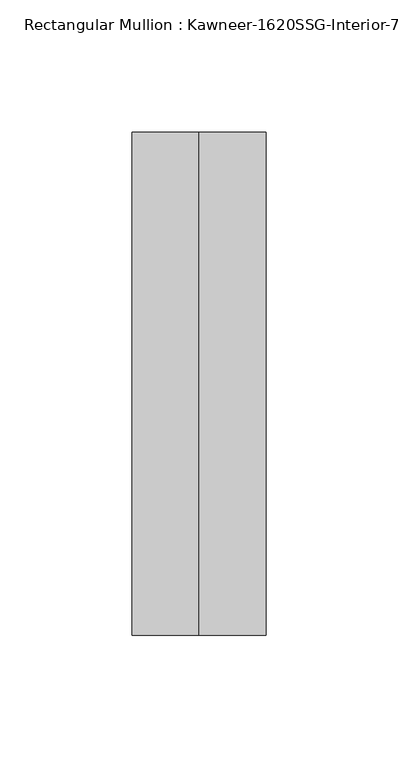
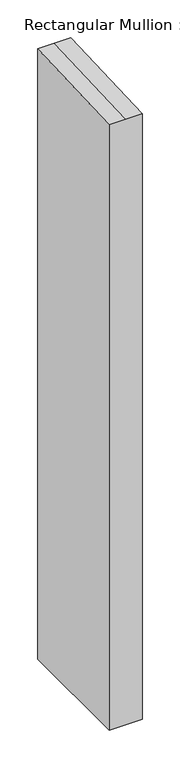
"""IFC4 building model written with IfcOpenShell, lengths in millimetres: member geometry."""

import ifcopenshell
import ifcopenshell.guid

model = None  # the IFC model being written
_history = None  # IfcOwnerHistory: only IFC2X3 demands one
_inside = {}  # id of a spatial element -> (the spatial element, [elements in it])
_under = {}  # id of a project, library or spatial element -> (it, [spatial elements below it])
_declared = {}  # id of a project -> (the project, [libraries it declares])
_typed = {}  # id of a type object -> (the type object, [elements of that type])
_made_of = {}  # id of a material, layer set ... -> (it, [elements and type objects made of it])


def new_model(schema):
    """Start an empty IFC model of exactly this schema.

    Asked for "IFC4X3", IfcOpenShell would pick the latest addendum, in which some entities
    have other attributes; the version numbers below select the first issue.
    IFC2X3 requires an IfcOwnerHistory on every rooted entity: one is made here for all.
    """
    global model, _history
    if schema == "IFC4X3":
        model = ifcopenshell.file(schema_version=(4, 3, 0, 0))
    else:
        model = ifcopenshell.file(schema=schema)
    _inside.clear()
    _under.clear()
    _declared.clear()
    _typed.clear()
    _made_of.clear()
    _history = None
    if model.schema == "IFC2X3":
        org = make("IfcOrganization", Name="unknown")
        user = make(
            "IfcPersonAndOrganization",
            ThePerson=make("IfcPerson", FamilyName="unknown"),
            TheOrganization=org,
        )
        app = make(
            "IfcApplication",
            ApplicationDeveloper=org,
            Version="unknown",
            ApplicationFullName="unknown",
            ApplicationIdentifier="unknown",
        )
        _history = make(
            "IfcOwnerHistory",
            OwningUser=user,
            OwningApplication=app,
            ChangeAction="ADDED",
            CreationDate=0,
        )
    return model


def make(cls, **values):
    """One entity of the class cls with the attributes given. An attribute that is None is left unset."""
    return model.create_entity(
        cls, **{name: value for name, value in values.items() if value is not None}
    )


def rooted(cls, **values):
    """An entity with a GlobalId (a new one), such as an element, a storey or a relation."""
    return make(cls, GlobalId=ifcopenshell.guid.new(), OwnerHistory=_history, **values)


def si_unit(unit_type, name, prefix=None):
    """IfcSIUnit, for example si_unit("LENGTHUNIT", "METRE", prefix="MILLI")."""
    return make("IfcSIUnit", UnitType=unit_type, Prefix=prefix, Name=name)


def assignment(units):
    """IfcUnitAssignment: the units of a project."""
    return None if units is None else make("IfcUnitAssignment", Units=units)


def point(xyz):
    """IfcCartesianPoint."""
    return None if xyz is None else make("IfcCartesianPoint", Coordinates=xyz)


def direction(xyz):
    """IfcDirection."""
    return None if xyz is None else make("IfcDirection", DirectionRatios=xyz)


def frame(location, z_axis=None, x_axis=None):
    """IfcAxis2Placement3D, a coordinate frame: its origin and axes. An axis left out is left unset."""
    return make(
        "IfcAxis2Placement3D",
        Location=point(location),
        Axis=direction(z_axis),
        RefDirection=direction(x_axis),
    )


def origin():
    """The frame at (0, 0, 0) with its axes left unset."""
    return frame((0.0, 0.0, 0.0))


def place(relative_to, where):
    """IfcLocalPlacement: puts the frame where relative to a parent placement (None: the world)."""
    return make(
        "IfcLocalPlacement", PlacementRelTo=relative_to, RelativePlacement=where
    )


def context(
    kind, dimensions, precision=None, world=None, true_north=None, identifier=None
):
    """IfcGeometricRepresentationContext, for example the 3D "Model" context."""
    return make(
        "IfcGeometricRepresentationContext",
        ContextIdentifier=identifier,
        ContextType=kind,
        CoordinateSpaceDimension=dimensions,
        Precision=precision,
        WorldCoordinateSystem=world,
        TrueNorth=true_north,
    )


def project(units=None, contexts=None):
    """IfcProject with its units and contexts."""
    return rooted(
        "IfcProject",
        Name="project",
        RepresentationContexts=contexts,
        UnitsInContext=assignment(units),
    )


def spatial(cls, under=None, at=None, **own):
    """A site, building, storey or space (cls), placed at a placement, below another one or the project."""
    s = rooted(cls, ObjectPlacement=at, **own)
    if under is not None:
        _under.setdefault(under.id(), (under, []))[1].append(s)
    return s


def faces_of(points, faces, orient=None, outer=None):
    """IfcFace entities. A face is a list of loops; a loop is a list of indices into points, from 0.

    orient and outer hold one flag for each loop. By default every Orientation is true, the
    first loop of a face is its IfcFaceOuterBound and the others are IfcFaceBound.
    """
    made = []
    for i, loops in enumerate(faces):
        bounds = []
        for j, loop in enumerate(loops):
            is_outer = j == 0 if outer is None else outer[i][j]
            bounds.append(
                make(
                    "IfcFaceOuterBound" if is_outer else "IfcFaceBound",
                    Bound=make("IfcPolyLoop", Polygon=[points[k] for k in loop]),
                    Orientation=True if orient is None else orient[i][j],
                )
            )
        made.append(make("IfcFace", Bounds=bounds))
    return made


def faceted_brep(points, faces, orient=None, outer=None, voids=None):
    """IfcFacetedBrep: a solid bounded by flat faces; with voids (closed shells), ...WithVoids."""
    shared = [point(p) for p in points]
    hull = make("IfcClosedShell", CfsFaces=faces_of(shared, faces, orient, outer))
    if voids is None:
        return make("IfcFacetedBrep", Outer=hull)
    return make(
        "IfcFacetedBrepWithVoids",
        Outer=hull,
        Voids=[
            make(cls, CfsFaces=faces_of(shared, fs, o, b)) for cls, fs, o, b in voids
        ],
    )


def shape(context_of_items, identifier, shape_type, items):
    """IfcShapeRepresentation: the items that make up one representation, for example the "Body"."""
    return make(
        "IfcShapeRepresentation",
        ContextOfItems=context_of_items,
        RepresentationIdentifier=identifier,
        RepresentationType=shape_type,
        Items=items,
    )


def source(mapping_origin, context_of_items, identifier, shape_type, items):
    """IfcRepresentationMap: a shape defined once, which mapped items show again and again."""
    return make(
        "IfcRepresentationMap",
        MappingOrigin=mapping_origin,
        MappedRepresentation=shape(context_of_items, identifier, shape_type, items),
    )


def transform(
    local_origin,
    x_axis=None,
    y_axis=None,
    z_axis=None,
    scale=None,
    scale2=None,
    scale3=None,
    uniform=True,
):
    """IfcCartesianTransformationOperator3D, or its non-uniform kind. x_axis, y_axis, z_axis: its Axis1, 2, 3."""
    if uniform:
        return make(
            "IfcCartesianTransformationOperator3D",
            Axis1=direction(x_axis),
            Axis2=direction(y_axis),
            LocalOrigin=point(local_origin),
            Scale=scale,
            Axis3=direction(z_axis),
        )
    return make(
        "IfcCartesianTransformationOperator3DnonUniform",
        Axis1=direction(x_axis),
        Axis2=direction(y_axis),
        LocalOrigin=point(local_origin),
        Scale=scale,
        Axis3=direction(z_axis),
        Scale2=scale2,
        Scale3=scale3,
    )


def mapped(mapping_source, mapping_target):
    """IfcMappedItem: shows the shape of a source again, moved by a transform."""
    return make(
        "IfcMappedItem", MappingSource=mapping_source, MappingTarget=mapping_target
    )


def made_of(thing, what):
    """Note that an element or type object is made of a material, layer set ...; save() writes the relation."""
    if what is not None:
        _made_of.setdefault(what.id(), (what, []))[1].append(thing)
    return thing


def element(
    cls,
    number,
    at=None,
    inside=None,
    cuts=None,
    type_object=None,
    material=None,
    context=None,
    identifier="Body",
    shape_type=None,
    held_by="IfcProductDefinitionShape",
    body=None,
    shapes=None,
    **own,
):
    """One element of the class cls, such as IfcWall. Its Tag is "e" and its number.

    at: its placement. inside: the storey or other place that contains it. cuts: it is an
    opening in that element (IfcRelVoidsElement). A single representation is given by context,
    identifier, shape_type and body (its items); several are given by shapes. held_by: the class
    of the entity that holds the representations. save() writes the other relations.
    """
    e = rooted(cls, Tag="e%d" % number, ObjectPlacement=at, **own)
    if body is not None:
        shapes = [shape(context, identifier, shape_type, body)]
    if shapes is not None:
        e.Representation = make(held_by, Representations=shapes)
    if inside is not None:
        _inside.setdefault(inside.id(), (inside, []))[1].append(e)
    if cuts is not None:
        rooted(
            "IfcRelVoidsElement", RelatingBuildingElement=cuts, RelatedOpeningElement=e
        )
    if type_object is not None:
        _typed.setdefault(type_object.id(), (type_object, []))[1].append(e)
    return made_of(e, material)


def aggregate(whole, parts):
    """IfcRelAggregates: a whole, such as a stair, and the parts it consists of."""
    return rooted("IfcRelAggregates", RelatingObject=whole, RelatedObjects=parts)


def save(model, path):
    """Write the relations noted so far, then the file.

    IfcRelAggregates (storeys below a building ...), IfcRelContainedInSpatialStructure (elements
    in a storey), IfcRelDefinesByType, IfcRelAssociatesMaterial and IfcRelDeclares: one each for
    every whole, place, type object, material and project.
    """
    for whole, parts in _under.values():
        aggregate(whole, parts)
    for where, things in _inside.values():
        rooted(
            "IfcRelContainedInSpatialStructure",
            RelatedElements=things,
            RelatingStructure=where,
        )
    for kind, things in _typed.values():
        rooted("IfcRelDefinesByType", RelatedObjects=things, RelatingType=kind)
    for what, things in _made_of.values():
        rooted("IfcRelAssociatesMaterial", RelatedObjects=things, RelatingMaterial=what)
    for by, libraries in _declared.values():
        rooted("IfcRelDeclares", RelatingContext=by, RelatedDefinitions=libraries)
    model.write(path)


def member_4a2727a0(model_context):
    return source(origin(), model_context, "Body", "Brep", [
        faceted_brep([(25.4, -152.4, -990.2519493), (-25.4, -152.4, -990.2519493), (-25.4, 38.1, -990.2519493), (25.4, 38.1, -990.2519493), (25.4, 38.1, 1.6634819), (25.4, -152.4, -6.6539277), (-25.4, 38.1, 1.6634819), (0.0, 38.1, 1.6634819), (-25.4, -152.4, -6.6539277), (0.0, -152.4, -6.6539277)], [[[0, 1, 2, 3]], [[4, 5, 0, 3]], [[6, 7, 4, 3, 2]], [[8, 6, 2, 1]], [[5, 9, 8, 1, 0]], [[5, 4, 7, 9]], [[7, 6, 8, 9]]]),
    ])


if __name__ == "__main__":
    model = new_model("IFC4")
    model_context = context("Model", 3, world=origin())
    ifc_project = project(units=[si_unit("LENGTHUNIT", "METRE", prefix="MILLI")], contexts=[model_context])
    site = spatial("IfcSite", under=ifc_project)
    building = spatial("IfcBuilding", under=site)
    placement = place(None, origin())
    member_shape = member_4a2727a0(model_context)
    element("IfcMember", 1, ObjectType="Rectangular Mullion : Kawneer-1620SSG-Interior-7.5\"-1\"Infill", at=placement, inside=building, context=model_context, shape_type="MappedRepresentation", body=[
        mapped(member_shape, transform((0.0, 0.0, 0.0), x_axis=(1.0, 0.0, 0.0), y_axis=(0.0, 1.0, 0.0), z_axis=(0.0, 0.0, 1.0))),
    ])
    save(model, "model.ifc")
